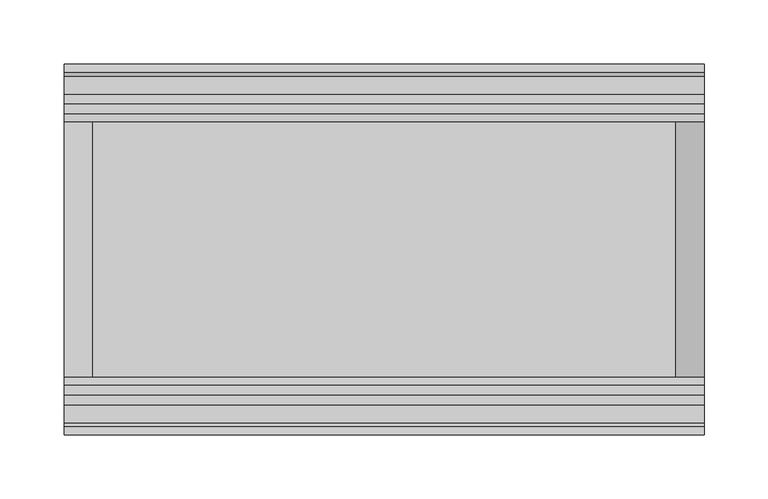
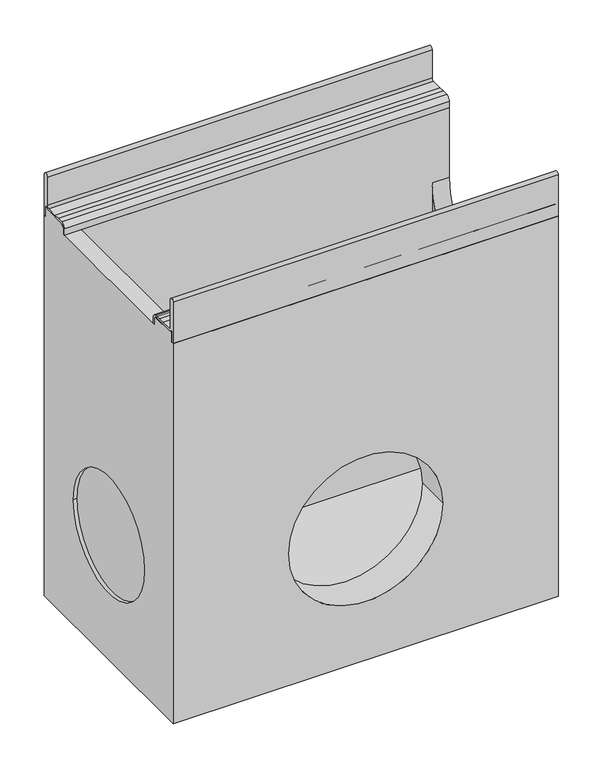
"""IFC4 building model written with IfcOpenShell, lengths in millimetres: proxy geometry."""

from ifc_helpers import new_model, si_unit, point, frame, frame_2d, origin, place, context, project, spatial, polyline, circle_curve, trimmed, segment, composite_curve, outline, extrude, source, transform, mapped, element, save
from ifc_brep_helpers import plane_surface, cylinder_surface, revolved_surface, advanced_brep


def generic_models_e4f19708(model_context):
    return source(origin(), model_context, "Body", "SolidModel", [
        advanced_brep(
        [(500.0, 145.0, -582.0), (500.0, 145.0, -60.0409124), (500.0, 141.9621547, -60.0409124), (500.0, 141.9621547, -45.4121775), (500.0, 140.5838153, -45.4121775), (500.0, 135.5826794, -48.0378453), (500.0, 106.0756907, -48.0378453), (500.0, 102.9900031, -51.1235329), (500.0, 102.9900031, -60.011934), (500.0, 100.0, -60.011934), (500.0, 100.0, -155.0), (500.0, -100.0, -155.0), (500.0, -100.0, -60.011934), (500.0, -102.9900031, -60.011934), (500.0, -102.9900031, -51.1235329), (500.0, -106.0756907, -48.0378453), (500.0, -135.5826794, -48.0378453), (500.0, -140.5838153, -45.4121775), (500.0, -141.9621547, -45.4121775), (500.0, -141.9621547, -60.0409124), (500.0, -145.0, -60.0409124), (500.0, -145.0, -582.0), (0.0, 145.0, -582.0), (0.0, -145.0, -582.0), (0.0, -145.0, -60.0409124), (0.0, -141.9621547, -60.0409124), (0.0, -141.9621547, -45.4121775), (0.0, -140.5838153, -45.4121775), (0.0, -135.5826794, -48.0378453), (0.0, -106.0756907, -48.0378453), (0.0, -102.9900031, -51.1235329), (0.0, -102.9900031, -60.011934), (0.0, 102.9900031, -60.011934), (0.0, 102.9900031, -51.1235329), (0.0, 106.0756907, -48.0378453), (0.0, 135.5826794, -48.0378453), (0.0, 140.5838153, -45.4121775), (0.0, 141.9621547, -45.4121775), (0.0, 141.9621547, -60.0409124), (0.0, 145.0, -60.0409124), (0.0, -80.0, -411.0), (0.0, 80.0, -411.0), (22.0, 100.0, -60.011934), (22.0, 100.0, -542.0), (478.0, 100.0, -542.0), (478.0, 100.0, -155.0), (350.0, -145.0, -402.0), (150.0, -145.0, -402.0), (5.0, -80.0, -411.0), (5.0, 80.0, -411.0), (478.0, -100.0, -155.0), (478.0, -100.0, -542.0), (22.0, -100.0, -542.0), (22.0, -100.0, -60.011934), (150.0, -100.0, -402.0), (350.0, -100.0, -402.0), (22.0, 106.0756907, -48.0378453), (22.0, 102.9900031, -51.1235329), (22.0, -102.9900031, -51.1235329), (22.0, -106.0756907, -48.0378453)],
        [
            (0, 1),
            (1, 2),
            (2, 3),
            (3, 4),
            (4, 5, circle_curve(frame((500.0, 135.5826794, -41.9621547), z_axis=(-1.0, 0.0, 0.0), x_axis=(0.0, 1.0, 0.0)), 6.0756907)),
            (5, 6),
            (6, 7, circle_curve(frame((500.0, 106.0756907, -51.1235329), z_axis=(1.0, 0.0, 0.0), x_axis=(0.0, 1.0, 0.0)), 3.0856876)),
            (7, 8),
            (8, 9),
            (9, 10),
            (10, 11, circle_curve(frame((500.0, 0.0, -155.0), z_axis=(-1.0, 0.0, 0.0), x_axis=(0.0, 1.0, 0.0)), 100.0)),
            (11, 12),
            (12, 13),
            (13, 14),
            (14, 15, circle_curve(frame((500.0, -106.0756907, -51.1235329), z_axis=(1.0, 0.0, 0.0), x_axis=(0.0, 1.0, 0.0)), 3.0856876)),
            (15, 16),
            (16, 17, circle_curve(frame((500.0, -135.5826794, -41.9621547), z_axis=(-1.0, 0.0, 0.0), x_axis=(0.0, 1.0, 0.0)), 6.0756907)),
            (17, 18),
            (18, 19),
            (19, 20),
            (20, 21),
            (21, 0),
            (22, 23),
            (23, 24),
            (24, 25),
            (25, 26),
            (26, 27),
            (27, 28, circle_curve(frame((0.0, -135.5826794, -41.9621547), z_axis=(1.0, 0.0, 0.0), x_axis=(0.0, 1.0, 0.0)), 6.0756907)),
            (28, 29),
            (29, 30, circle_curve(frame((0.0, -106.0756907, -51.1235329), z_axis=(-1.0, 0.0, 0.0), x_axis=(0.0, 1.0, 0.0)), 3.0856876)),
            (30, 31),
            (31, 32),
            (32, 33),
            (33, 34, circle_curve(frame((0.0, 106.0756907, -51.1235329), z_axis=(-1.0, 0.0, 0.0), x_axis=(0.0, 1.0, 0.0)), 3.0856876)),
            (34, 35),
            (35, 36, circle_curve(frame((0.0, 135.5826794, -41.9621547), z_axis=(1.0, 0.0, 0.0), x_axis=(0.0, 1.0, 0.0)), 6.0756907)),
            (36, 37),
            (37, 38),
            (38, 39),
            (39, 22),
            (40, 41, circle_curve(frame((0.0, 0.0, -411.0), z_axis=(1.0, 0.0, 0.0), x_axis=(0.0, 1.0, 0.0)), 80.0)),
            (41, 40, circle_curve(frame((0.0, 0.0, -411.0), z_axis=(1.0, 0.0, 0.0), x_axis=(0.0, 1.0, 0.0)), 80.0)),
            (0, 22),
            (39, 1),
            (9, 42),
            (42, 43),
            (43, 44),
            (44, 45),
            (45, 10),
            (20, 24),
            (23, 21),
            (46, 47, circle_curve(frame((250.0, -145.0, -402.0), z_axis=(0.0, 1.0, 0.0), x_axis=(1.0, 0.0, 0.0)), 100.0)),
            (47, 46, circle_curve(frame((250.0, -145.0, -402.0), z_axis=(0.0, 1.0, 0.0), x_axis=(1.0, 0.0, 0.0)), 100.0)),
            (48, 49, circle_curve(frame((5.0, 0.0, -411.0), z_axis=(-1.0, 0.0, 0.0), x_axis=(0.0, 1.0, 0.0)), 80.0)),
            (49, 48, circle_curve(frame((5.0, 0.0, -411.0), z_axis=(-1.0, 0.0, 0.0), x_axis=(0.0, 1.0, 0.0)), 80.0)),
            (49, 41),
            (40, 48),
            (11, 50),
            (50, 51),
            (51, 52),
            (52, 53),
            (53, 12),
            (54, 55, circle_curve(frame((250.0, -100.0, -402.0), z_axis=(0.0, -1.0, 0.0), x_axis=(1.0, 0.0, 0.0)), 100.0)),
            (55, 54, circle_curve(frame((250.0, -100.0, -402.0), z_axis=(0.0, -1.0, 0.0), x_axis=(1.0, 0.0, 0.0)), 100.0)),
            (54, 47),
            (46, 55),
            (38, 2),
            (37, 3),
            (36, 4),
            (35, 5),
            (34, 56),
            (56, 6),
            (33, 57),
            (57, 7),
            (32, 8),
            (31, 13),
            (53, 42),
            (45, 50, circle_curve(frame((478.0, 0.0, -155.0), z_axis=(-1.0, 0.0, 0.0), x_axis=(0.0, 1.0, 0.0)), 100.0)),
            (30, 58),
            (58, 14),
            (29, 59),
            (59, 15),
            (28, 16),
            (27, 17),
            (26, 18),
            (25, 19),
            (43, 52),
            (51, 44),
        ],
        [
            plane_surface(frame((500.0, 145.0, -31.1821489), z_axis=(1.0, 0.0, 0.0), x_axis=(0.0, 0.0, 1.0))),
            plane_surface(frame((0.0, 145.0, -31.1821489), z_axis=(-1.0, 0.0, 0.0), x_axis=(0.0, 0.0, -1.0))),
            plane_surface(frame((500.0, 145.0, -582.0), z_axis=(0.0, 1.0, 0.0), x_axis=(-1.0, 0.0, 0.0))),
            plane_surface(frame((500.0, 100.0, -60.011934), z_axis=(0.0, -1.0, 0.0), x_axis=(-1.0, 0.0, 0.0))),
            plane_surface(frame((500.0, -145.0, -60.0409124), z_axis=(0.0, -1.0, 0.0), x_axis=(-1.0, 0.0, 0.0))),
            plane_surface(frame((500.0, -145.0, -582.0), z_axis=(0.0, 0.0, -1.0), x_axis=(-1.0, 0.0, 0.0))),
            plane_surface(frame((5.0, 80.0, -411.0), z_axis=(-1.0, 0.0, 0.0), x_axis=(0.0, 0.0, 1.0))),
            revolved_surface(polyline([(5.0, 80.0, -411.0), (0.0, 80.0, -411.0)]), (0.0, 0.0, -411.0), (1.0, 0.0, 0.0)),
            plane_surface(frame((500.0, -100.0, -155.0), z_axis=(0.0, 1.0, 0.0), x_axis=(-1.0, 0.0, 0.0))),
            revolved_surface(polyline([(350.0, -145.0, -402.0), (350.0, -100.0, -402.0)]), (250.0, 0.0, -402.0), (0.0, -1.0, 0.0)),
            plane_surface(frame((500.0, 145.0, -60.0409124), z_axis=(0.0, 0.0, 1.0), x_axis=(-1.0, 0.0, 0.0))),
            plane_surface(frame((500.0, 141.9621547, -60.0409124), z_axis=(0.0, 1.0, 0.0), x_axis=(-1.0, 0.0, 0.0))),
            plane_surface(frame((500.0, 141.9621547, -45.4121775), z_axis=(0.0, 0.0, 1.0), x_axis=(-1.0, 0.0, 0.0))),
            revolved_surface(polyline([(0.0, 141.65837009999998, -41.9621547), (500.0, 141.65837009999998, -41.9621547)]), (0.0, 135.5826794, -41.9621547), (-1.0, 0.0, 0.0)),
            plane_surface(frame((500.0, 135.5826794, -48.0378453), z_axis=(0.0, 0.0, 1.0), x_axis=(-1.0, 0.0, 0.0))),
            cylinder_surface(frame((0.0, 106.0756907, -51.1235329), z_axis=(1.0, 0.0, 0.0), x_axis=(0.0, 1.0, 0.0)), 3.0856876),
            plane_surface(frame((500.0, 102.9900031, -51.1235329), z_axis=(0.0, -1.0, 0.0), x_axis=(-1.0, 0.0, 0.0))),
            plane_surface(frame((500.0, 102.9900031, -60.011934), z_axis=(0.0, 0.0, 1.0), x_axis=(-1.0, 0.0, 0.0))),
            revolved_surface(polyline([(478.0, 100.0, -155.0), (500.0, 100.0, -155.0)]), (0.0, 0.0, -155.0), (-1.0, 0.0, 0.0)),
            plane_surface(frame((500.0, -102.9900031, -60.011934), z_axis=(0.0, 1.0, 0.0), x_axis=(-1.0, 0.0, 0.0))),
            cylinder_surface(frame((0.0, -106.0756907, -51.1235329), z_axis=(1.0, 0.0, 0.0), x_axis=(0.0, 1.0, 0.0)), 3.0856876),
            plane_surface(frame((500.0, -106.0756907, -48.0378453), z_axis=(0.0, 0.0, 1.0), x_axis=(-1.0, 0.0, 0.0))),
            revolved_surface(polyline([(0.0, -129.5069887, -41.9621547), (500.0, -129.5069887, -41.9621547)]), (0.0, -135.5826794, -41.9621547), (-1.0, 0.0, 0.0)),
            plane_surface(frame((500.0, -140.5838153, -45.4121775), z_axis=(0.0, 0.0, 1.0), x_axis=(-1.0, 0.0, 0.0))),
            plane_surface(frame((500.0, -141.9621547, -45.4121775), z_axis=(0.0, -1.0, 0.0), x_axis=(-1.0, 0.0, 0.0))),
            plane_surface(frame((500.0, -141.9621547, -60.0409124), z_axis=(0.0, 0.0, 1.0), x_axis=(-1.0, 0.0, 0.0))),
            plane_surface(frame((22.0, 100.0, -542.0), z_axis=(0.0, 0.0, 1.0), x_axis=(1.0, 0.0, 0.0))),
            plane_surface(frame((22.0, 100.0, 0.0), z_axis=(1.0, 0.0, 0.0), x_axis=(0.0, 0.0, -1.0))),
            plane_surface(frame((478.0, -100.0, 0.0), z_axis=(-1.0, 0.0, 0.0), x_axis=(0.0, 0.0, -1.0))),
        ],
        [
            (0, [[1, 2, 3, 4, 5, 6, 7, 8, 9, 10, 11, 12, 13, 14, 15, 16, 17, 18, 19, 20, 21, 22]]),
            (1, [[23, 24, 25, 26, 27, 28, 29, 30, 31, 32, 33, 34, 35, 36, 37, 38, 39, 40], [41, 42]]),
            (2, [[-1, 43, -40, 44]]),
            (3, [[-10, 45, 46, 47, 48, 49]]),
            (4, [[-21, 50, -24, 51], [52, 53]]),
            (5, [[-22, -51, -23, -43]]),
            (6, [[54, 55]]),
            (7, [[-55, 56, -41, 57]]),
            (7, [[-54, -57, -42, -56]]),
            (8, [[-12, 58, 59, 60, 61, 62], [63, 64]]),
            (9, [[65, -52, 66, -63]]),
            (9, [[-65, -64, -66, -53]]),
            (10, [[-2, -44, -39, 67]]),
            (11, [[-3, -67, -38, 68]]),
            (12, [[-4, -68, -37, 69]]),
            (13, [[-5, -69, -36, 70]]),
            (14, [[-6, -70, -35, 71, 72]]),
            (15, [[-7, -72, -71, -34, 73, 74]]),
            (16, [[-8, -74, -73, -33, 75]]),
            (17, [[-9, -75, -32, 76, -13, -62, 77, -45]]),
            (18, [[-11, -49, 78, -58]]),
            (19, [[-14, -76, -31, 79, 80]]),
            (20, [[-15, -80, -79, -30, 81, 82]]),
            (21, [[-16, -82, -81, -29, 83]]),
            (22, [[-17, -83, -28, 84]]),
            (23, [[-18, -84, -27, 85]]),
            (24, [[-19, -85, -26, 86]]),
            (25, [[-20, -86, -25, -50]]),
            (26, [[-47, 87, -60, 88]]),
            (27, [[-87, -46, -77, -61]]),
            (28, [[-88, -59, -78, -48]]),
        ],
    ),
        extrude(outline(composite_curve([segment(trimmed(circle_curve(frame_2d((-141.8102624, -3.1897376)), 3.1897376), [point((-145.0, -3.1897376))], [point((-138.6205248, -3.1897376))], False, "CARTESIAN"), True, "CONTINUOUS"), segment(polyline([(-138.6205248, -3.1897376), (-138.6205248, -41.9621547)]), True, "CONTINUOUS"), segment(trimmed(circle_curve(frame_2d((-135.5826794, -41.9621547)), 3.0378453), [point((-138.6205248, -41.9621547))], [point((-135.5826794, -45.0))], True, "CARTESIAN"), True, "CONTINUOUS"), segment(polyline([(-135.5826794, -45.0), (-121.4566985, -45.0), (-113.8620852, -45.0), (-106.0756907, -45.0)]), True, "CONTINUOUS"), segment(trimmed(circle_curve(frame_2d((-106.0756907, -51.0756907)), 6.0756907), [point((-106.0756907, -45.0))], [point((-100.0, -51.0756907))], False, "CARTESIAN"), True, "CONTINUOUS"), segment(polyline([(-100.0, -51.0756907), (-100.0, -60.011934), (-102.9900031, -60.011934), (-102.9900031, -51.1235329)]), True, "CONTINUOUS"), segment(trimmed(circle_curve(frame_2d((-106.0756907, -51.1235329)), 3.0856876), [point((-102.9900031, -51.1235329))], [point((-106.0756907, -48.0378453))], True, "CARTESIAN"), True, "CONTINUOUS"), segment(polyline([(-106.0756907, -48.0378453), (-135.5826794, -48.0378453)]), True, "CONTINUOUS"), segment(trimmed(circle_curve(frame_2d((-135.5826794, -41.9621547)), 6.0756907), [point((-135.5826794, -48.0378453))], [point((-140.5838153, -45.4121775))], False, "CARTESIAN"), True, "CONTINUOUS"), segment(polyline([(-140.5838153, -45.4121775), (-141.9621547, -45.4121775), (-141.9621547, -60.0409124), (-145.0, -60.0409124), (-145.0, -3.1897376)]), True, "CONTINUOUS")], self_intersect=False)), frame((0.0, 0.0, 0.0), z_axis=(1.0, 0.0, 0.0), x_axis=(0.0, 1.0, 0.0)), (0.0, 0.0, 1.0), 500.0),
        extrude(outline(composite_curve([segment(polyline([(145.0, -3.1897376), (145.0, -60.0409124), (141.9621547, -60.0409124), (141.9621547, -45.4121775), (140.5838153, -45.4121775)]), True, "CONTINUOUS"), segment(trimmed(circle_curve(frame_2d((135.5826794, -41.9621547)), 6.0756907), [point((140.5838153, -45.4121775))], [point((135.5826794, -48.0378453))], False, "CARTESIAN"), True, "CONTINUOUS"), segment(polyline([(135.5826794, -48.0378453), (106.0756907, -48.0378453)]), True, "CONTINUOUS"), segment(trimmed(circle_curve(frame_2d((106.0756907, -51.1235329)), 3.0856876), [point((106.0756907, -48.0378453))], [point((102.9900031, -51.1235329))], True, "CARTESIAN"), True, "CONTINUOUS"), segment(polyline([(102.9900031, -51.1235329), (102.9900031, -60.011934), (100.0, -60.011934), (100.0, -51.0756907)]), True, "CONTINUOUS"), segment(trimmed(circle_curve(frame_2d((106.0756907, -51.0756907)), 6.0756907), [point((100.0, -51.0756907))], [point((106.0756907, -45.0))], False, "CARTESIAN"), True, "CONTINUOUS"), segment(polyline([(106.0756907, -45.0), (113.8620852, -45.0), (121.4566985, -45.0), (135.5826794, -45.0)]), True, "CONTINUOUS"), segment(trimmed(circle_curve(frame_2d((135.5826794, -41.9621547)), 3.0378453), [point((135.5826794, -45.0))], [point((138.6205248, -41.9621547))], True, "CARTESIAN"), True, "CONTINUOUS"), segment(polyline([(138.6205248, -41.9621547), (138.6205248, -3.1897376)]), True, "CONTINUOUS"), segment(trimmed(circle_curve(frame_2d((141.8102624, -3.1897376)), 3.1897376), [point((138.6205248, -3.1897376))], [point((145.0, -3.1897376))], False, "CARTESIAN"), True, "CONTINUOUS")], self_intersect=False)), frame((0.0, 0.0, 0.0), z_axis=(1.0, 0.0, 0.0), x_axis=(0.0, 1.0, 0.0)), (0.0, 0.0, 1.0), 500.0),
    ])


if __name__ == "__main__":
    model = new_model("IFC4")
    model_context = context("Model", 3, world=origin())
    ifc_project = project(units=[si_unit("LENGTHUNIT", "METRE", prefix="MILLI")], contexts=[model_context])
    site = spatial("IfcSite", under=ifc_project)
    building = spatial("IfcBuilding", under=site)
    placement = place(None, origin())
    generic_models_shape = generic_models_e4f19708(model_context)
    element("IfcBuildingElementProxy", 1, Name="Generic Models", at=placement, inside=building, context=model_context, shape_type="MappedRepresentation", body=[
        mapped(generic_models_shape, transform((0.0, 0.0, 0.0), x_axis=(1.0, 0.0, 0.0), y_axis=(0.0, 1.0, 0.0), z_axis=(0.0, 0.0, 1.0))),
    ])
    save(model, "model.ifc")
